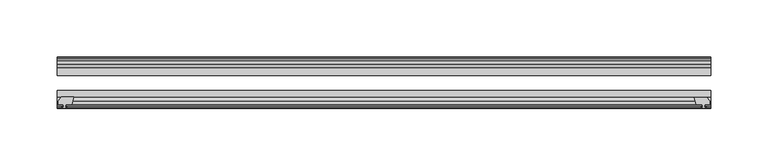
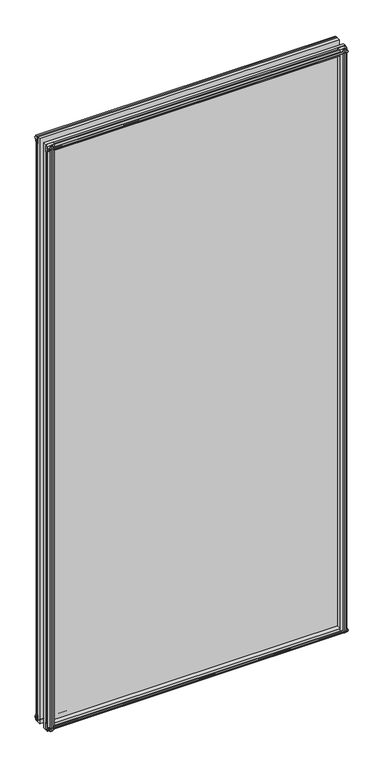
"""IFC4 building model written with IfcOpenShell, lengths in millimetres: plate geometry."""

from ifc_helpers import new_model, si_unit, frame, origin, place, context, project, spatial, polyline, outline, extrude, source, transform, mapped, element, save


def plate_185f1963(model_context):
    return source(origin(), model_context, "Body", "SweptSolid", [
        extrude(outline(polyline([(-271.3322819, -83.1453125), (-273.05, -89.4953125), (-278.257, -89.4953125), (-278.638, -91.8755095), (-277.2224709, -91.4155762), (-277.2224709, -92.2167904), (-279.4, -92.9243125), (-281.577529, -92.2167904), (-281.577529, -91.4155762), (-280.162, -91.8755095), (-280.543, -89.4953125), (-284.988, -89.4953125), (-284.988, -86.5489125), (-282.1536578, -83.1453125), (-271.3322819, -83.1453125)])), frame((0.0, 0.0, -12.4587), z_axis=(0.0, 0.0, 1.0), x_axis=(1.0, 0.0, 0.0)), (0.0, 0.0, 1.0), 1180.6176593),
        extrude(outline(polyline([(271.3538926, -83.2252021), (282.1752685, -83.2252021), (285.0096107, -86.6288021), (285.0096107, -89.5752021), (280.5646107, -89.5752021), (280.1836107, -91.9553991), (281.5991397, -91.4954658), (281.5991397, -92.29668), (279.4216107, -93.0042021), (277.2440816, -92.29668), (277.2440816, -91.4954658), (278.6596107, -91.9553991), (278.2786107, -89.5752021), (273.0716107, -89.5752021), (271.3538926, -83.2252021)])), frame((0.0, 0.0, -9.0482291), z_axis=(0.0, 0.0, 1.0), x_axis=(1.0, 0.0, 0.0)), (0.0, 0.0, 1.0), 1177.2071883),
        extrude(outline(polyline([(-280.6827, -49.0151155), (-282.098229, -49.4750488), (-282.098229, -48.6738346), (-279.9207, -47.9663125), (-277.7431709, -48.6738346), (-277.7431709, -49.4750488), (-279.1587, -49.0151155), (-278.7777, -51.3953125), (-273.5707, -51.3953125), (-271.8529819, -57.7453125), (-282.6743578, -57.7453125), (-285.5087, -54.3417125), (-285.5087, -51.3953125), (-281.0637, -51.3953125), (-280.6827, -49.0151155)])), frame((0.0, 0.0, -12.4587), z_axis=(0.0, 0.0, 1.0), x_axis=(1.0, 0.0, 0.0)), (0.0, 0.0, 1.0), 1174.2676593),
        extrude(outline(polyline([(271.8529819, -57.7453125), (273.5707, -51.3953125), (278.7777, -51.3953125), (279.1587, -49.0151155), (277.7431709, -49.4750488), (277.7431709, -48.6738346), (279.9207, -47.9663125), (282.098229, -48.6738346), (282.098229, -49.4750488), (280.6827, -49.0151155), (281.0637, -51.3953125), (285.5087, -51.3953125), (285.5087, -54.3417125), (282.6743578, -57.7453125), (271.8529819, -57.7453125)])), frame((0.0, 0.0, -12.4587), z_axis=(0.0, 0.0, 1.0), x_axis=(1.0, 0.0, 0.0)), (0.0, 0.0, 1.0), 1174.2676593),
        extrude(outline(polyline([(-48.6738346, -4.6931709), (-47.9663125, -6.8707), (-48.6738346, -9.0482291), (-49.4750488, -9.0482291), (-49.0151155, -7.6327), (-51.3953125, -8.0137), (-51.3953125, -12.4587), (-54.3417125, -12.4587), (-57.7453125, -9.6243578), (-57.7453125, 1.1970181), (-51.3953125, -0.5207), (-51.3953125, -5.7277), (-49.0151155, -6.1087), (-49.4750488, -4.6931709), (-48.6738346, -4.6931709)])), frame((-285.75, 0.0, 0.0), z_axis=(1.0, 0.0, 0.0), x_axis=(0.0, 1.0, 0.0)), (0.0, 0.0, 1.0), 571.5),
        extrude(outline(polyline([(-83.1453125, 1.7177181), (-83.1453125, -9.1036578), (-86.5489125, -11.938), (-89.4953125, -11.938), (-89.4953125, -7.493), (-91.8755095, -7.112), (-91.4155762, -8.5275291), (-92.2167904, -8.5275291), (-92.9243125, -6.35), (-92.2167904, -4.1724709), (-91.4155762, -4.1724709), (-91.8755095, -5.588), (-89.4953125, -5.207), (-89.4953125, 0.0), (-83.1453125, 1.7177181)])), frame((-285.75, 0.0, 0.0), z_axis=(1.0, 0.0, 0.0), x_axis=(0.0, 1.0, 0.0)), (0.0, 0.0, 1.0), 571.5),
        extrude(outline(polyline([(-49.0151155, 1163.3329593), (-49.4750488, 1164.7484883), (-48.6738346, 1164.7484883), (-47.9663125, 1162.5709593), (-48.6738346, 1160.3934302), (-49.4750488, 1160.3934302), (-49.0151155, 1161.8089593), (-51.3953125, 1161.4279593), (-51.3953125, 1156.2209593), (-57.7453125, 1154.5032412), (-57.7453125, 1165.3246171), (-54.3417125, 1168.1589593), (-51.3953125, 1168.1589593), (-51.3953125, 1163.7139593), (-49.0151155, 1163.3329593)])), frame((-285.75, 0.0, 0.0), z_axis=(1.0, 0.0, 0.0), x_axis=(0.0, 1.0, 0.0)), (0.0, 0.0, 1.0), 571.5),
        extrude(outline(polyline([(-89.4953125, 1167.6382593), (-86.5489125, 1167.6382593), (-83.1453125, 1164.8039171), (-83.1453125, 1153.9825412), (-89.4953125, 1155.7002593), (-89.4953125, 1160.9072593), (-91.8755095, 1161.2882593), (-91.4155762, 1159.8727302), (-92.2167904, 1159.8727302), (-92.9243125, 1162.0502593), (-92.2167904, 1164.2277883), (-91.4155762, 1164.2277883), (-91.8755095, 1162.8122593), (-89.4953125, 1163.1932593), (-89.4953125, 1167.6382593)])), frame((-285.75, 0.0, 0.0), z_axis=(1.0, 0.0, 0.0), x_axis=(0.0, 1.0, 0.0)), (0.0, 0.0, 1.0), 571.5),
        extrude(outline(polyline([(-285.75, -57.7453125), (285.75, -57.7453125), (285.75, -64.0953125), (-285.75, -64.0953125), (-285.75, -57.7453125)])), frame((0.0, 0.0, -12.7), z_axis=(0.0, 0.0, 1.0), x_axis=(1.0, 0.0, 0.0)), (0.0, 0.0, 1.0), 1181.1002593),
        extrude(outline(polyline([(-285.75, -77.1178925), (285.75, -77.1178925), (285.75, -83.1453125), (-285.75, -83.1453125), (-285.75, -77.1178925)])), frame((0.0, 0.0, -12.7), z_axis=(0.0, 0.0, 1.0), x_axis=(1.0, 0.0, 0.0)), (0.0, 0.0, 1.0), 1181.1002593),
    ])


if __name__ == "__main__":
    model = new_model("IFC4")
    model_context = context("Model", 3, world=origin())
    ifc_project = project(units=[si_unit("LENGTHUNIT", "METRE", prefix="MILLI")], contexts=[model_context])
    site = spatial("IfcSite", under=ifc_project)
    building = spatial("IfcBuilding", under=site)
    placement = place(None, origin())
    plate_shape = plate_185f1963(model_context)
    element("IfcPlate", 1, at=placement, inside=building, context=model_context, shape_type="MappedRepresentation", body=[
        mapped(plate_shape, transform((0.0, 0.0, 0.0), x_axis=(1.0, 0.0, 0.0), y_axis=(0.0, 1.0, 0.0), z_axis=(0.0, 0.0, 1.0))),
    ])
    save(model, "model.ifc")
